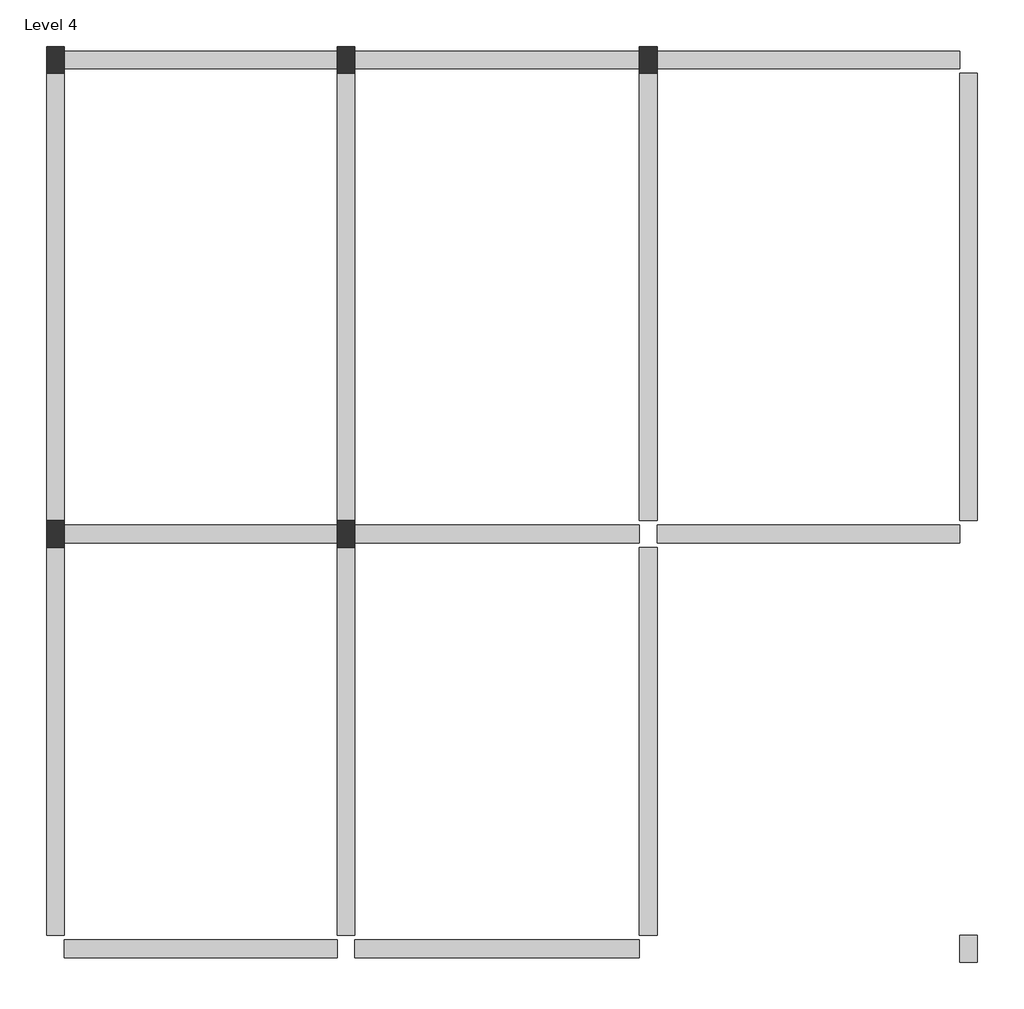
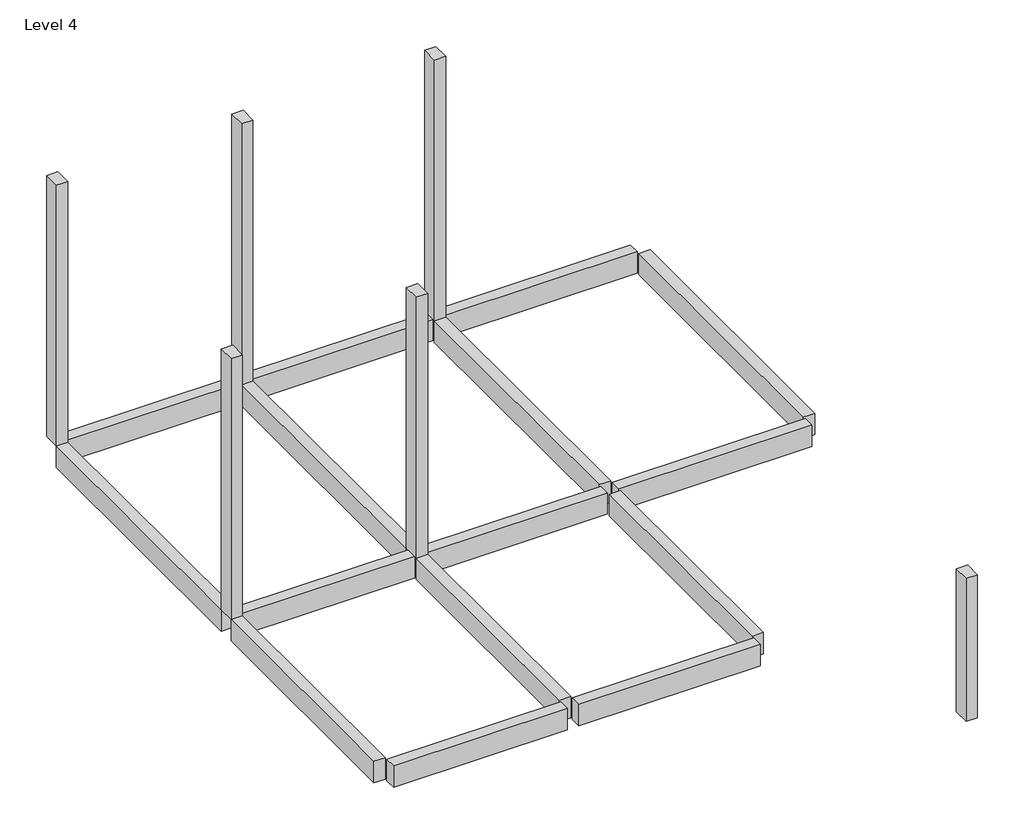
# One storey: 15 beams, 6 columns.
"""IFC4 building model written with IfcOpenShell, lengths in millimetres."""

from ifc_helpers import new_model, si_unit, frame, origin, place, context, project, spatial, polyline, outline, extrude, element, save

model = new_model("IFC4")

# Units and contexts
model_context = context("Model", 3, world=origin())
ifc_project = project(units=[si_unit("LENGTHUNIT", "METRE", prefix="MILLI")], contexts=[model_context])

# Site, building, storey
site = spatial("IfcSite", under=ifc_project)
building = spatial("IfcBuilding", under=site)
storey = spatial("IfcBuildingStorey", under=building, Name="Level 4", Elevation=10500.0)

# Beams
placement = place(None, origin())
element("IfcBeam", 1, ObjectType="Concrete-Rectangular Beam : 300 x 600mm", at=placement, inside=storey, context=model_context, shape_type="SweptSolid", body=[
    extrude(outline(polyline([(-16221.2304607, 6912.8952153), (-16221.2304607, 7212.8952153), (-11621.2304607, 7212.8952153), (-11621.2304607, 6912.8952153), (-16221.2304607, 6912.8952153)])), frame((0.0, 0.0, 9900.0), z_axis=(0.0, 0.0, 1.0), x_axis=(1.0, 0.0, 0.0)), (0.0, 0.0, 1.0), 600.0),
])
element("IfcBeam", 2, ObjectType="Concrete-Rectangular Beam : 300 x 600mm", at=placement, inside=storey, context=model_context, shape_type="SweptSolid", body=[
    extrude(outline(polyline([(-11321.2304607, 6912.8952153), (-11321.2304607, 7212.8952153), (-6521.2304607, 7212.8952153), (-6521.2304607, 6912.8952153), (-11321.2304607, 6912.8952153)])), frame((0.0, 0.0, 9900.0), z_axis=(0.0, 0.0, 1.0), x_axis=(1.0, 0.0, 0.0)), (0.0, 0.0, 1.0), 600.0),
])
element("IfcBeam", 3, ObjectType="Concrete-Rectangular Beam : 300 x 600mm", at=placement, inside=storey, context=model_context, shape_type="SweptSolid", body=[
    extrude(outline(polyline([(-6221.2304607, 6912.8952153), (-6221.2304607, 7212.8952153), (-1121.2304607, 7212.8952153), (-1121.2304607, 6912.8952153), (-6221.2304607, 6912.8952153)])), frame((0.0, 0.0, 9900.0), z_axis=(0.0, 0.0, 1.0), x_axis=(1.0, 0.0, 0.0)), (0.0, 0.0, 1.0), 600.0),
])
element("IfcBeam", 4, ObjectType="Concrete-Rectangular Beam : 300 x 600mm", at=placement, inside=storey, context=model_context, shape_type="SweptSolid", body=[
    extrude(outline(polyline([(-1121.2304607, 6837.8952153), (-821.2304607, 6837.8952153), (-821.2304607, -712.1047847), (-1121.2304607, -712.1047847), (-1121.2304607, 6837.8952153)])), frame((0.0, 0.0, 9900.0), z_axis=(0.0, 0.0, 1.0), x_axis=(1.0, 0.0, 0.0)), (0.0, 0.0, 1.0), 600.0),
])
element("IfcBeam", 5, ObjectType="Concrete-Rectangular Beam : 300 x 600mm", at=placement, inside=storey, context=model_context, shape_type="SweptSolid", body=[
    extrude(outline(polyline([(-6521.2304607, -7787.1047847), (-6521.2304607, -8087.1047847), (-11321.2304607, -8087.1047847), (-11321.2304607, -7787.1047847), (-6521.2304607, -7787.1047847)])), frame((0.0, 0.0, 9900.0), z_axis=(0.0, 0.0, 1.0), x_axis=(1.0, 0.0, 0.0)), (0.0, 0.0, 1.0), 600.0),
])
element("IfcBeam", 6, ObjectType="Concrete-Rectangular Beam : 300 x 600mm", at=placement, inside=storey, context=model_context, shape_type="SweptSolid", body=[
    extrude(outline(polyline([(-11621.2304607, -7787.1047847), (-11621.2304607, -8087.1047847), (-16221.2304607, -8087.1047847), (-16221.2304607, -7787.1047847), (-11621.2304607, -7787.1047847)])), frame((0.0, 0.0, 9900.0), z_axis=(0.0, 0.0, 1.0), x_axis=(1.0, 0.0, 0.0)), (0.0, 0.0, 1.0), 600.0),
])
element("IfcBeam", 7, ObjectType="Concrete-Rectangular Beam : 300 x 600mm", at=placement, inside=storey, context=model_context, shape_type="SweptSolid", body=[
    extrude(outline(polyline([(-16221.2304607, -7712.1047847), (-16521.2304607, -7712.1047847), (-16521.2304607, -1162.1047847), (-16221.2304607, -1162.1047847), (-16221.2304607, -7712.1047847)])), frame((0.0, 0.0, 9900.0), z_axis=(0.0, 0.0, 1.0), x_axis=(1.0, 0.0, 0.0)), (0.0, 0.0, 1.0), 600.0),
])
element("IfcBeam", 8, ObjectType="Concrete-Rectangular Beam : 300 x 600mm", at=placement, inside=storey, context=model_context, shape_type="SweptSolid", body=[
    extrude(outline(polyline([(-16221.2304607, -712.1047847), (-16521.2304607, -712.1047847), (-16521.2304607, 6837.8952153), (-16221.2304607, 6837.8952153), (-16221.2304607, -712.1047847)])), frame((0.0, 0.0, 9900.0), z_axis=(0.0, 0.0, 1.0), x_axis=(1.0, 0.0, 0.0)), (0.0, 0.0, 1.0), 600.0),
])
element("IfcBeam", 9, ObjectType="Concrete-Rectangular Beam : 300 x 600mm", at=placement, inside=storey, context=model_context, shape_type="SweptSolid", body=[
    extrude(outline(polyline([(-11621.2304607, 6837.8952153), (-11321.2304607, 6837.8952153), (-11321.2304607, -712.1047847), (-11621.2304607, -712.1047847), (-11621.2304607, 6837.8952153)])), frame((0.0, 0.0, 9900.0), z_axis=(0.0, 0.0, 1.0), x_axis=(1.0, 0.0, 0.0)), (0.0, 0.0, 1.0), 600.0),
])
element("IfcBeam", 10, ObjectType="Concrete-Rectangular Beam : 300 x 600mm", at=placement, inside=storey, context=model_context, shape_type="SweptSolid", body=[
    extrude(outline(polyline([(-11621.2304607, -1162.1047847), (-11321.2304607, -1162.1047847), (-11321.2304607, -7712.1047847), (-11621.2304607, -7712.1047847), (-11621.2304607, -1162.1047847)])), frame((0.0, 0.0, 9900.0), z_axis=(0.0, 0.0, 1.0), x_axis=(1.0, 0.0, 0.0)), (0.0, 0.0, 1.0), 600.0),
])
element("IfcBeam", 11, ObjectType="Concrete-Rectangular Beam : 300 x 600mm", at=placement, inside=storey, context=model_context, shape_type="SweptSolid", body=[
    extrude(outline(polyline([(-6221.2304607, -7712.1047847), (-6521.2304607, -7712.1047847), (-6521.2304607, -1162.1047847), (-6221.2304607, -1162.1047847), (-6221.2304607, -7712.1047847)])), frame((0.0, 0.0, 9900.0), z_axis=(0.0, 0.0, 1.0), x_axis=(1.0, 0.0, 0.0)), (0.0, 0.0, 1.0), 600.0),
])
element("IfcBeam", 12, ObjectType="Concrete-Rectangular Beam : 300 x 600mm", at=placement, inside=storey, context=model_context, shape_type="SweptSolid", body=[
    extrude(outline(polyline([(-6521.2304607, 6837.8952153), (-6221.2304607, 6837.8952153), (-6221.2304607, -712.1047847), (-6521.2304607, -712.1047847), (-6521.2304607, 6837.8952153)])), frame((0.0, 0.0, 9900.0), z_axis=(0.0, 0.0, 1.0), x_axis=(1.0, 0.0, 0.0)), (0.0, 0.0, 1.0), 600.0),
])
element("IfcBeam", 13, ObjectType="Concrete-Rectangular Beam : 300 x 600mm", at=placement, inside=storey, context=model_context, shape_type="SweptSolid", body=[
    extrude(outline(polyline([(-16221.2304607, -1087.1047847), (-16221.2304607, -787.1047847), (-11621.2304607, -787.1047847), (-11621.2304607, -1087.1047847), (-16221.2304607, -1087.1047847)])), frame((0.0, 0.0, 9900.0), z_axis=(0.0, 0.0, 1.0), x_axis=(1.0, 0.0, 0.0)), (0.0, 0.0, 1.0), 600.0),
])
element("IfcBeam", 14, ObjectType="Concrete-Rectangular Beam : 300 x 600mm", at=placement, inside=storey, context=model_context, shape_type="SweptSolid", body=[
    extrude(outline(polyline([(-6521.2304607, -787.1047847), (-6521.2304607, -1087.1047847), (-11321.2304607, -1087.1047847), (-11321.2304607, -787.1047847), (-6521.2304607, -787.1047847)])), frame((0.0, 0.0, 9900.0), z_axis=(0.0, 0.0, 1.0), x_axis=(1.0, 0.0, 0.0)), (0.0, 0.0, 1.0), 600.0),
])
element("IfcBeam", 15, ObjectType="Concrete-Rectangular Beam : 300 x 600mm", at=placement, inside=storey, context=model_context, shape_type="SweptSolid", body=[
    extrude(outline(polyline([(-1121.2304607, -787.1047847), (-1121.2304607, -1087.1047847), (-6221.2304607, -1087.1047847), (-6221.2304607, -787.1047847), (-1121.2304607, -787.1047847)])), frame((0.0, 0.0, 9900.0), z_axis=(0.0, 0.0, 1.0), x_axis=(1.0, 0.0, 0.0)), (0.0, 0.0, 1.0), 600.0),
])

# Columns
element("IfcColumn", 16, ObjectType="Concrete-Rectangular-Column : 300 x 450mm", at=placement, inside=storey, context=model_context, shape_type="SweptSolid", body=[
    extrude(outline(polyline([(-821.2304607, -7712.1047847), (-821.2304607, -8162.1047847), (-1121.2304607, -8162.1047847), (-1121.2304607, -7712.1047847), (-821.2304607, -7712.1047847)])), frame((0.0, 0.0, 6500.0), z_axis=(0.0, 0.0, 1.0), x_axis=(1.0, 0.0, 0.0)), (0.0, 0.0, 1.0), 4000.0),
])
element("IfcColumn", 17, ObjectType="Concrete-Rectangular-Column : 300 x 450mm", at=placement, inside=storey, context=model_context, shape_type="SweptSolid", body=[
    extrude(outline(polyline([(-11321.2304607, -712.1047847), (-11321.2304607, -1162.1047847), (-11621.2304607, -1162.1047847), (-11621.2304607, -712.1047847), (-11321.2304607, -712.1047847)])), frame((0.0, 0.0, 10500.0), z_axis=(0.0, 0.0, 1.0), x_axis=(1.0, 0.0, 0.0)), (0.0, 0.0, 1.0), 7300.0),
])
element("IfcColumn", 18, ObjectType="Concrete-Rectangular-Column : 300 x 450mm", at=placement, inside=storey, context=model_context, shape_type="SweptSolid", body=[
    extrude(outline(polyline([(-11321.2304607, 7287.8952153), (-11321.2304607, 6837.8952153), (-11621.2304607, 6837.8952153), (-11621.2304607, 7287.8952153), (-11321.2304607, 7287.8952153)])), frame((0.0, 0.0, 10500.0), z_axis=(0.0, 0.0, 1.0), x_axis=(1.0, 0.0, 0.0)), (0.0, 0.0, 1.0), 7300.0),
])
element("IfcColumn", 19, ObjectType="Concrete-Rectangular-Column : 300 x 450mm", at=placement, inside=storey, context=model_context, shape_type="SweptSolid", body=[
    extrude(outline(polyline([(-6221.2304607, 7287.8952153), (-6221.2304607, 6837.8952153), (-6521.2304607, 6837.8952153), (-6521.2304607, 7287.8952153), (-6221.2304607, 7287.8952153)])), frame((0.0, 0.0, 10500.0), z_axis=(0.0, 0.0, 1.0), x_axis=(1.0, 0.0, 0.0)), (0.0, 0.0, 1.0), 7300.0),
])
element("IfcColumn", 20, ObjectType="Concrete-Rectangular-Column : 300 x 450mm", at=placement, inside=storey, context=model_context, shape_type="SweptSolid", body=[
    extrude(outline(polyline([(-16221.2304607, -712.1047847), (-16221.2304607, -1162.1047847), (-16521.2304607, -1162.1047847), (-16521.2304607, -712.1047847), (-16221.2304607, -712.1047847)])), frame((0.0, 0.0, 10500.0), z_axis=(0.0, 0.0, 1.0), x_axis=(1.0, 0.0, 0.0)), (0.0, 0.0, 1.0), 7300.0),
])
element("IfcColumn", 21, ObjectType="Concrete-Rectangular-Column : 300 x 450mm", at=placement, inside=storey, context=model_context, shape_type="SweptSolid", body=[
    extrude(outline(polyline([(-16221.2304607, 7287.8952153), (-16221.2304607, 6837.8952153), (-16521.2304607, 6837.8952153), (-16521.2304607, 7287.8952153), (-16221.2304607, 7287.8952153)])), frame((0.0, 0.0, 10500.0), z_axis=(0.0, 0.0, 1.0), x_axis=(1.0, 0.0, 0.0)), (0.0, 0.0, 1.0), 7300.0),
])

save(model, "model.ifc")
